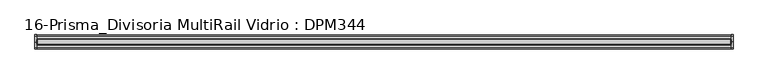
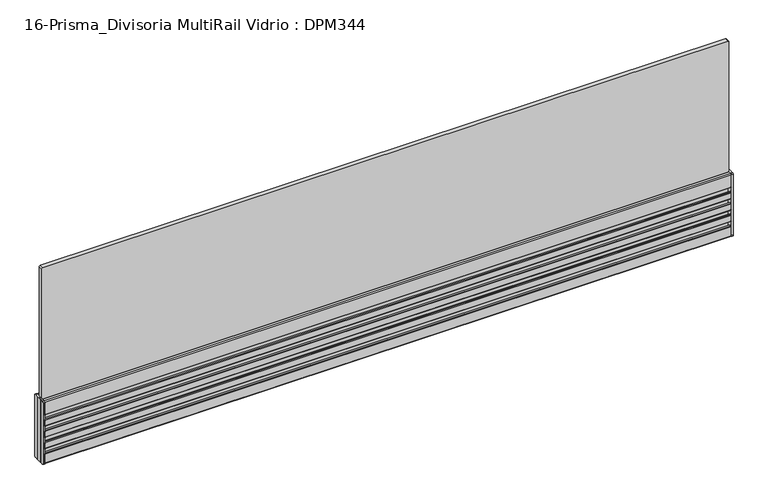
"""IFC4 building model written with IfcOpenShell, lengths in millimetres: furniture geometry, 16-Prisma_Divisoria MultiRail Vidrio : DPM344."""

import ifcopenshell
import ifcopenshell.guid

model = None  # the IFC model being written
_history = None  # IfcOwnerHistory: only IFC2X3 demands one
_inside = {}  # id of a spatial element -> (the spatial element, [elements in it])
_under = {}  # id of a project, library or spatial element -> (it, [spatial elements below it])
_declared = {}  # id of a project -> (the project, [libraries it declares])
_typed = {}  # id of a type object -> (the type object, [elements of that type])
_made_of = {}  # id of a material, layer set ... -> (it, [elements and type objects made of it])


def new_model(schema):
    """Start an empty IFC model of exactly this schema.

    Asked for "IFC4X3", IfcOpenShell would pick the latest addendum, in which some entities
    have other attributes; the version numbers below select the first issue.
    IFC2X3 requires an IfcOwnerHistory on every rooted entity: one is made here for all.
    """
    global model, _history
    if schema == "IFC4X3":
        model = ifcopenshell.file(schema_version=(4, 3, 0, 0))
    else:
        model = ifcopenshell.file(schema=schema)
    _inside.clear()
    _under.clear()
    _declared.clear()
    _typed.clear()
    _made_of.clear()
    _history = None
    if model.schema == "IFC2X3":
        org = make("IfcOrganization", Name="unknown")
        user = make(
            "IfcPersonAndOrganization",
            ThePerson=make("IfcPerson", FamilyName="unknown"),
            TheOrganization=org,
        )
        app = make(
            "IfcApplication",
            ApplicationDeveloper=org,
            Version="unknown",
            ApplicationFullName="unknown",
            ApplicationIdentifier="unknown",
        )
        _history = make(
            "IfcOwnerHistory",
            OwningUser=user,
            OwningApplication=app,
            ChangeAction="ADDED",
            CreationDate=0,
        )
    return model


def make(cls, **values):
    """One entity of the class cls with the attributes given. An attribute that is None is left unset."""
    return model.create_entity(
        cls, **{name: value for name, value in values.items() if value is not None}
    )


def rooted(cls, **values):
    """An entity with a GlobalId (a new one), such as an element, a storey or a relation."""
    return make(cls, GlobalId=ifcopenshell.guid.new(), OwnerHistory=_history, **values)


def si_unit(unit_type, name, prefix=None):
    """IfcSIUnit, for example si_unit("LENGTHUNIT", "METRE", prefix="MILLI")."""
    return make("IfcSIUnit", UnitType=unit_type, Prefix=prefix, Name=name)


def assignment(units):
    """IfcUnitAssignment: the units of a project."""
    return None if units is None else make("IfcUnitAssignment", Units=units)


def point(xyz):
    """IfcCartesianPoint."""
    return None if xyz is None else make("IfcCartesianPoint", Coordinates=xyz)


def direction(xyz):
    """IfcDirection."""
    return None if xyz is None else make("IfcDirection", DirectionRatios=xyz)


def frame(location, z_axis=None, x_axis=None):
    """IfcAxis2Placement3D, a coordinate frame: its origin and axes. An axis left out is left unset."""
    return make(
        "IfcAxis2Placement3D",
        Location=point(location),
        Axis=direction(z_axis),
        RefDirection=direction(x_axis),
    )


def frame_2d(location, x_axis=None):
    """IfcAxis2Placement2D, a coordinate frame in the plane: its origin and x axis."""
    return make(
        "IfcAxis2Placement2D", Location=point(location), RefDirection=direction(x_axis)
    )


def origin():
    """The frame at (0, 0, 0) with its axes left unset."""
    return frame((0.0, 0.0, 0.0))


def place(relative_to, where):
    """IfcLocalPlacement: puts the frame where relative to a parent placement (None: the world)."""
    return make(
        "IfcLocalPlacement", PlacementRelTo=relative_to, RelativePlacement=where
    )


def context(
    kind, dimensions, precision=None, world=None, true_north=None, identifier=None
):
    """IfcGeometricRepresentationContext, for example the 3D "Model" context."""
    return make(
        "IfcGeometricRepresentationContext",
        ContextIdentifier=identifier,
        ContextType=kind,
        CoordinateSpaceDimension=dimensions,
        Precision=precision,
        WorldCoordinateSystem=world,
        TrueNorth=true_north,
    )


def project(units=None, contexts=None):
    """IfcProject with its units and contexts."""
    return rooted(
        "IfcProject",
        Name="project",
        RepresentationContexts=contexts,
        UnitsInContext=assignment(units),
    )


def spatial(cls, under=None, at=None, **own):
    """A site, building, storey or space (cls), placed at a placement, below another one or the project."""
    s = rooted(cls, ObjectPlacement=at, **own)
    if under is not None:
        _under.setdefault(under.id(), (under, []))[1].append(s)
    return s


def polyline(points):
    """IfcPolyline through the points."""
    return make("IfcPolyline", Points=[point(p) for p in points])


def circle_curve(where, radius):
    """IfcCircle in the frame where."""
    return make("IfcCircle", Position=where, Radius=radius)


def trimmed(basis, trim1, trim2, sense, master):
    """IfcTrimmedCurve: the piece of a basis curve between two trims."""
    return make(
        "IfcTrimmedCurve",
        BasisCurve=basis,
        Trim1=trim1,
        Trim2=trim2,
        SenseAgreement=sense,
        MasterRepresentation=master,
    )


def segment(curve, same_sense, transition):
    """IfcCompositeCurveSegment."""
    return make(
        "IfcCompositeCurveSegment",
        Transition=transition,
        SameSense=same_sense,
        ParentCurve=curve,
    )


def composite_curve(segments, self_intersect=None):
    """IfcCompositeCurve: segments joined end to end."""
    return make("IfcCompositeCurve", Segments=segments, SelfIntersect=self_intersect)


def outline(outer, holes=None, kind="AREA"):
    """IfcArbitraryClosedProfileDef: a profile drawn as a closed curve; with holes, ...WithVoids."""
    if holes is None:
        return make("IfcArbitraryClosedProfileDef", ProfileType=kind, OuterCurve=outer)
    return make(
        "IfcArbitraryProfileDefWithVoids",
        ProfileType=kind,
        OuterCurve=outer,
        InnerCurves=holes,
    )


def extrude(swept, where, along, depth):
    """IfcExtrudedAreaSolid: the profile swept, set in the frame where, extruded along a direction by depth."""
    return make(
        "IfcExtrudedAreaSolid",
        SweptArea=swept,
        Position=where,
        ExtrudedDirection=direction(along),
        Depth=depth,
    )


def shape(context_of_items, identifier, shape_type, items):
    """IfcShapeRepresentation: the items that make up one representation, for example the "Body"."""
    return make(
        "IfcShapeRepresentation",
        ContextOfItems=context_of_items,
        RepresentationIdentifier=identifier,
        RepresentationType=shape_type,
        Items=items,
    )


def source(mapping_origin, context_of_items, identifier, shape_type, items):
    """IfcRepresentationMap: a shape defined once, which mapped items show again and again."""
    return make(
        "IfcRepresentationMap",
        MappingOrigin=mapping_origin,
        MappedRepresentation=shape(context_of_items, identifier, shape_type, items),
    )


def transform(
    local_origin,
    x_axis=None,
    y_axis=None,
    z_axis=None,
    scale=None,
    scale2=None,
    scale3=None,
    uniform=True,
):
    """IfcCartesianTransformationOperator3D, or its non-uniform kind. x_axis, y_axis, z_axis: its Axis1, 2, 3."""
    if uniform:
        return make(
            "IfcCartesianTransformationOperator3D",
            Axis1=direction(x_axis),
            Axis2=direction(y_axis),
            LocalOrigin=point(local_origin),
            Scale=scale,
            Axis3=direction(z_axis),
        )
    return make(
        "IfcCartesianTransformationOperator3DnonUniform",
        Axis1=direction(x_axis),
        Axis2=direction(y_axis),
        LocalOrigin=point(local_origin),
        Scale=scale,
        Axis3=direction(z_axis),
        Scale2=scale2,
        Scale3=scale3,
    )


def mapped(mapping_source, mapping_target):
    """IfcMappedItem: shows the shape of a source again, moved by a transform."""
    return make(
        "IfcMappedItem", MappingSource=mapping_source, MappingTarget=mapping_target
    )


def made_of(thing, what):
    """Note that an element or type object is made of a material, layer set ...; save() writes the relation."""
    if what is not None:
        _made_of.setdefault(what.id(), (what, []))[1].append(thing)
    return thing


def element(
    cls,
    number,
    at=None,
    inside=None,
    cuts=None,
    type_object=None,
    material=None,
    context=None,
    identifier="Body",
    shape_type=None,
    held_by="IfcProductDefinitionShape",
    body=None,
    shapes=None,
    **own,
):
    """One element of the class cls, such as IfcWall. Its Tag is "e" and its number.

    at: its placement. inside: the storey or other place that contains it. cuts: it is an
    opening in that element (IfcRelVoidsElement). A single representation is given by context,
    identifier, shape_type and body (its items); several are given by shapes. held_by: the class
    of the entity that holds the representations. save() writes the other relations.
    """
    e = rooted(cls, Tag="e%d" % number, ObjectPlacement=at, **own)
    if body is not None:
        shapes = [shape(context, identifier, shape_type, body)]
    if shapes is not None:
        e.Representation = make(held_by, Representations=shapes)
    if inside is not None:
        _inside.setdefault(inside.id(), (inside, []))[1].append(e)
    if cuts is not None:
        rooted(
            "IfcRelVoidsElement", RelatingBuildingElement=cuts, RelatedOpeningElement=e
        )
    if type_object is not None:
        _typed.setdefault(type_object.id(), (type_object, []))[1].append(e)
    return made_of(e, material)


def aggregate(whole, parts):
    """IfcRelAggregates: a whole, such as a stair, and the parts it consists of."""
    return rooted("IfcRelAggregates", RelatingObject=whole, RelatedObjects=parts)


def save(model, path):
    """Write the relations noted so far, then the file.

    IfcRelAggregates (storeys below a building ...), IfcRelContainedInSpatialStructure (elements
    in a storey), IfcRelDefinesByType, IfcRelAssociatesMaterial and IfcRelDeclares: one each for
    every whole, place, type object, material and project.
    """
    for whole, parts in _under.values():
        aggregate(whole, parts)
    for where, things in _inside.values():
        rooted(
            "IfcRelContainedInSpatialStructure",
            RelatedElements=things,
            RelatingStructure=where,
        )
    for kind, things in _typed.values():
        rooted("IfcRelDefinesByType", RelatedObjects=things, RelatingType=kind)
    for what, things in _made_of.values():
        rooted("IfcRelAssociatesMaterial", RelatedObjects=things, RelatingMaterial=what)
    for by, libraries in _declared.values():
        rooted("IfcRelDeclares", RelatingContext=by, RelatedDefinitions=libraries)
    model.write(path)


def plane_surface(at):
    """IfcPlane: the flat surface through the origin of the frame at, square to its z axis."""
    return make("IfcPlane", Position=at)


def cylinder_surface(at, radius):
    """IfcCylindricalSurface: all points at the distance radius from the z axis of the frame at."""
    return make("IfcCylindricalSurface", Position=at, Radius=radius)


def revolved_surface(curve, axis_point, axis_direction):
    """IfcSurfaceOfRevolution: the curve turned about the line through axis_point along axis_direction."""
    return make(
        "IfcSurfaceOfRevolution",
        SweptCurve=make("IfcArbitraryOpenProfileDef", ProfileType="CURVE", Curve=curve),
        AxisPosition=make("IfcAxis1Placement", Location=point(axis_point), Axis=direction(axis_direction)),
    )


def advanced_brep(points, edges, surfaces, faces):
    """IfcAdvancedBrep: a solid bounded by faces that lie on surfaces and meet in shared edges.

    An edge is (start, end): straight between two places in points (the first is 0);
    or (start, end, curve); or (start, end, curve, False) where it runs against its curve.
    A face is (place in surfaces, loops), or (place, loops, False) where it looks against
    its surface's normal. A loop lists edges by number (the first is 1), with a minus sign
    where the edge is run from its end to its start. The first loop is the outer one.
    """
    corners = [point(p) for p in points]
    vertices = [make("IfcVertexPoint", VertexGeometry=c) for c in corners]
    made = []
    for start, end, *more in edges:
        made.append(
            make(
                "IfcEdgeCurve",
                EdgeStart=vertices[start],
                EdgeEnd=vertices[end],
                EdgeGeometry=more[0] if more else make("IfcPolyline", Points=[corners[start], corners[end]]),
                SameSense=more[1] if len(more) > 1 else True,
            )
        )
    hull = []
    for where, loops, *sense in faces:
        bounds = []
        for j, loop in enumerate(loops):
            ring = [make("IfcOrientedEdge", EdgeElement=made[abs(k) - 1], Orientation=k > 0) for k in loop]
            bounds.append(
                make(
                    "IfcFaceOuterBound" if j == 0 else "IfcFaceBound",
                    Bound=make("IfcEdgeLoop", EdgeList=ring),
                    Orientation=True,
                )
            )
        hull.append(make("IfcAdvancedFace", Bounds=bounds, FaceSurface=surfaces[where], SameSense=sense[0] if sense else True))
    return make("IfcAdvancedBrep", Outer=make("IfcClosedShell", CfsFaces=hull))


def furniture_16_prisma_divisoria_multirail_vidrio_dpm344_bf19c1c7(model_context):
    return source(origin(), model_context, "Body", "SolidModel", [
        advanced_brep(
        [(-647.5, -11.25, 125.5), (-647.5, -13.25, 123.5), (-647.5, -13.25, 2.0), (-647.5, -11.25, 0.0), (-647.5, 0.0, 0.0), (-647.5, 11.25, 0.0), (-647.5, 13.25, 2.0), (-647.5, 13.25, 123.5), (-647.5, 11.25, 125.5), (-647.5, 0.0, 125.5), (-650.5, 11.25, 125.5), (-650.5, 13.25, 123.5), (-650.5, 13.25, 2.0), (-650.5, 11.25, 0.0), (-650.5, 5.25, 0.0), (-650.5, 5.25, 125.5), (-650.5, -11.25, 0.0), (-650.5, -13.25, 2.0), (-650.5, -13.25, 123.5), (-650.5, -11.25, 125.5), (-650.5, -5.25, 125.5), (-650.5, -5.25, 0.0), (-650.5, -3.75, 125.5), (-650.5, 0.0, 125.5), (-650.5, 3.75, 125.5), (-650.5, 3.75, 0.0), (-650.5, 0.0, 0.0), (-650.5, -3.75, 0.0)],
        [
            (0, 1, circle_curve(frame((-647.5, -11.25, 123.5), z_axis=(1.0, 0.0, 0.0), x_axis=(0.0, 1.0, 0.0)), 2.0)),
            (1, 2),
            (2, 3, circle_curve(frame((-647.5, -11.25, 2.0), z_axis=(1.0, 0.0, 0.0), x_axis=(0.0, 1.0, 0.0)), 2.0)),
            (3, 4),
            (4, 5),
            (5, 6, circle_curve(frame((-647.5, 11.25, 2.0), z_axis=(1.0, 0.0, 0.0), x_axis=(0.0, -1.0, 0.0)), 2.0)),
            (6, 7),
            (7, 8, circle_curve(frame((-647.5, 11.25, 123.5), z_axis=(1.0, 0.0, 0.0), x_axis=(0.0, -1.0, 0.0)), 2.0)),
            (8, 9),
            (9, 0),
            (10, 11, circle_curve(frame((-650.5, 11.25, 123.5), z_axis=(-1.0, 0.0, 0.0), x_axis=(0.0, -1.0, 0.0)), 2.0)),
            (11, 12),
            (12, 13, circle_curve(frame((-650.5, 11.25, 2.0), z_axis=(-1.0, 0.0, 0.0), x_axis=(0.0, -1.0, 0.0)), 2.0)),
            (13, 14),
            (14, 15),
            (15, 10),
            (16, 17, circle_curve(frame((-650.5, -11.25, 2.0), z_axis=(-1.0, 0.0, 0.0), x_axis=(0.0, 1.0, 0.0)), 2.0)),
            (17, 18),
            (18, 19, circle_curve(frame((-650.5, -11.25, 123.5), z_axis=(-1.0, 0.0, 0.0), x_axis=(0.0, 1.0, 0.0)), 2.0)),
            (19, 20),
            (20, 21),
            (21, 16),
            (22, 23),
            (23, 24),
            (24, 25),
            (25, 26),
            (26, 27),
            (27, 22),
            (0, 19),
            (18, 1),
            (17, 2),
            (16, 3),
            (21, 27, circle_curve(frame((-651.1614378, -4.5, 0.0), z_axis=(0.0, 0.0, 1.0), x_axis=(0.0, 1.0, 0.0)), 1.0)),
            (26, 4),
            (25, 14, circle_curve(frame((-651.1614378, 4.5, 0.0), z_axis=(0.0, 0.0, 1.0), x_axis=(0.0, 1.0, 0.0)), 1.0)),
            (13, 5),
            (12, 6),
            (11, 7),
            (10, 8),
            (15, 24, circle_curve(frame((-651.1614378, 4.5, 125.5), z_axis=(0.0, 0.0, -1.0), x_axis=(0.0, 1.0, 0.0)), 1.0)),
            (23, 9),
            (22, 20, circle_curve(frame((-651.1614378, -4.5, 125.5), z_axis=(0.0, 0.0, -1.0), x_axis=(0.0, 1.0, 0.0)), 1.0)),
        ],
        [
            plane_surface(frame((-647.5, -9.25, 123.5), z_axis=(1.0, 0.0, 0.0), x_axis=(0.0, 0.0, 1.0))),
            plane_surface(frame((-650.5, -9.25, 123.5), z_axis=(-1.0, 0.0, 0.0), x_axis=(0.0, 0.0, -1.0))),
            cylinder_surface(frame((-650.5, -11.25, 123.5), z_axis=(1.0, 0.0, 0.0), x_axis=(0.0, 1.0, 0.0)), 2.0),
            plane_surface(frame((-647.5, -13.25, 123.5), z_axis=(0.0, -1.0, 0.0), x_axis=(-1.0, 0.0, 0.0))),
            cylinder_surface(frame((-650.5, -11.25, 2.0), z_axis=(1.0, 0.0, 0.0), x_axis=(0.0, 1.0, 0.0)), 2.0),
            plane_surface(frame((-647.5, -11.25, 0.0), z_axis=(0.0, 0.0, -1.0), x_axis=(-1.0, 0.0, 0.0))),
            plane_surface(frame((-647.5, 0.0, 0.0), z_axis=(0.0, 0.0, -1.0), x_axis=(-1.0, 0.0, 0.0))),
            cylinder_surface(frame((-650.5, 11.25, 2.0), z_axis=(1.0, 0.0, 0.0), x_axis=(0.0, -1.0, 0.0)), 2.0),
            plane_surface(frame((-647.5, 13.25, 2.0), z_axis=(0.0, 1.0, -6.587285038427298e-12), x_axis=(-1.0, 0.0, 0.0))),
            cylinder_surface(frame((-650.5, 11.25, 123.5), z_axis=(1.0, 0.0, 0.0), x_axis=(0.0, -1.0, 0.0)), 2.0),
            plane_surface(frame((-647.5, 11.25, 125.5), z_axis=(0.0, 0.0, 1.0), x_axis=(-1.0, 0.0, 0.0))),
            plane_surface(frame((-647.5, 0.0, 125.5), z_axis=(0.0, 0.0, 1.0), x_axis=(-1.0, 0.0, 0.0))),
            revolved_surface(polyline([(-651.1614378, 5.5, 125.5), (-651.1614378, 5.5, 0.0)]), (-651.1614378, 4.5, -26.25), (0.0, 0.0, 1.0)),
            revolved_surface(polyline([(-651.1614378, -3.5, 125.5), (-651.1614378, -3.5, 0.0)]), (-651.1614378, -4.5, 73.75), (0.0, 0.0, 1.0)),
        ],
        [
            (0, [[1, 2, 3, 4, 5, 6, 7, 8, 9, 10]]),
            (1, [[11, 12, 13, 14, 15, 16]]),
            (1, [[17, 18, 19, 20, 21, 22]]),
            (1, [[23, 24, 25, 26, 27, 28]]),
            (2, [[-1, 29, -19, 30]]),
            (3, [[-2, -30, -18, 31]]),
            (4, [[-3, -31, -17, 32]]),
            (5, [[-4, -32, -22, 33, -27, 34]]),
            (6, [[-5, -34, -26, 35, -14, 36]]),
            (7, [[-6, -36, -13, 37]]),
            (8, [[-7, -37, -12, 38]]),
            (9, [[-8, -38, -11, 39]]),
            (10, [[-9, -39, -16, 40, -24, 41]]),
            (11, [[-10, -41, -23, 42, -20, -29]]),
            (12, [[-15, -35, -25, -40]]),
            (13, [[-28, -33, -21, -42]]),
        ],
    ),
        advanced_brep(
        [(647.5, 11.25, 125.5), (647.5, 13.25, 123.5), (647.5, 13.25, 2.0), (647.5, 11.25, 0.0), (647.5, 0.0, 0.0), (647.5, -11.25, 0.0), (647.5, -13.25, 2.0), (647.5, -13.25, 123.5), (647.5, -11.25, 125.5), (647.5, 0.0, 125.5), (650.5, -11.25, 125.5), (650.5, -13.25, 123.5), (650.5, -13.25, 2.0), (650.5, -11.25, 0.0), (650.5, -5.25, 0.0), (650.5, -5.25, 125.5), (650.5, 11.25, 0.0), (650.5, 13.25, 2.0), (650.5, 13.25, 123.5), (650.5, 11.25, 125.5), (650.5, 5.25, 125.5), (650.5, 5.25, 0.0), (650.5, 3.75, 125.5), (650.5, 0.0, 125.5), (650.5, -3.75, 125.5), (650.5, -3.75, 0.0), (650.5, 0.0, 0.0), (650.5, 3.75, 0.0)],
        [
            (0, 1, circle_curve(frame((647.5, 11.25, 123.5), z_axis=(-1.0, 0.0, 0.0), x_axis=(0.0, -1.0000000000000004, 0.0)), 2.0)),
            (1, 2),
            (2, 3, circle_curve(frame((647.5, 11.25, 2.0), z_axis=(-1.0, 0.0, 0.0), x_axis=(0.0, -1.0000000000000004, 0.0)), 2.0)),
            (3, 4),
            (4, 5),
            (5, 6, circle_curve(frame((647.5, -11.25, 2.0), z_axis=(-1.0, 0.0, 0.0), x_axis=(0.0, 1.0000000000000004, 0.0)), 2.0)),
            (6, 7),
            (7, 8, circle_curve(frame((647.5, -11.25, 123.5), z_axis=(-1.0, 0.0, 0.0), x_axis=(0.0, 1.0000000000000004, 0.0)), 2.0)),
            (8, 9),
            (9, 0),
            (10, 11, circle_curve(frame((650.5, -11.25, 123.5), z_axis=(1.0, 0.0, 0.0), x_axis=(0.0, 1.0000000000000004, 0.0)), 2.0)),
            (11, 12),
            (12, 13, circle_curve(frame((650.5, -11.25, 2.0), z_axis=(1.0, 0.0, 0.0), x_axis=(0.0, 1.0000000000000004, 0.0)), 2.0)),
            (13, 14),
            (14, 15),
            (15, 10),
            (16, 17, circle_curve(frame((650.5, 11.25, 2.0), z_axis=(1.0, 0.0, 0.0), x_axis=(0.0, -1.0000000000000004, 0.0)), 2.0)),
            (17, 18),
            (18, 19, circle_curve(frame((650.5, 11.25, 123.5), z_axis=(1.0, 0.0, 0.0), x_axis=(0.0, -1.0000000000000004, 0.0)), 2.0)),
            (19, 20),
            (20, 21),
            (21, 16),
            (22, 23),
            (23, 24),
            (24, 25),
            (25, 26),
            (26, 27),
            (27, 22),
            (0, 19),
            (18, 1),
            (17, 2),
            (16, 3),
            (21, 27, circle_curve(frame((651.1614378, 4.5, 0.0), z_axis=(0.0, 0.0, 1.0), x_axis=(0.0, -1.0000000000000004, 0.0)), 1.0)),
            (26, 4),
            (25, 14, circle_curve(frame((651.1614378, -4.5, 0.0), z_axis=(0.0, 0.0, 1.0), x_axis=(0.0, -1.0000000000000004, 0.0)), 1.0)),
            (13, 5),
            (12, 6),
            (11, 7),
            (10, 8),
            (15, 24, circle_curve(frame((651.1614378, -4.5, 125.5), z_axis=(0.0, 0.0, -1.0), x_axis=(0.0, -1.0000000000000004, 0.0)), 1.0)),
            (23, 9),
            (22, 20, circle_curve(frame((651.1614378, 4.5, 125.5), z_axis=(0.0, 0.0, -1.0), x_axis=(0.0, -1.0000000000000004, 0.0)), 1.0)),
        ],
        [
            plane_surface(frame((647.5, 9.25, 123.5), z_axis=(-1.0, 0.0, 0.0), x_axis=(0.0, 0.0, 1.0))),
            plane_surface(frame((650.5, 9.25, 123.5), z_axis=(1.0, 0.0, 0.0), x_axis=(0.0, 0.0, -1.0))),
            cylinder_surface(frame((650.5, 11.25, 123.5), z_axis=(-1.0000000000000004, 0.0, 0.0), x_axis=(0.0, -1.0000000000000004, 0.0)), 2.0),
            plane_surface(frame((647.5, 13.25, 123.5), z_axis=(0.0, 1.0, 0.0), x_axis=(1.0, 0.0, 0.0))),
            cylinder_surface(frame((650.5, 11.25, 2.0), z_axis=(-1.0000000000000004, 0.0, 0.0), x_axis=(0.0, -1.0000000000000004, 0.0)), 2.0),
            plane_surface(frame((647.5, 11.25, 0.0), z_axis=(0.0, 0.0, -1.0), x_axis=(1.0, 0.0, 0.0))),
            plane_surface(frame((647.5, 0.0, 0.0), z_axis=(0.0, 0.0, -1.0), x_axis=(1.0, 0.0, 0.0))),
            cylinder_surface(frame((650.5, -11.25, 2.0), z_axis=(-1.0000000000000004, 0.0, 0.0), x_axis=(0.0, 1.0000000000000004, 0.0)), 2.0),
            plane_surface(frame((647.5, -13.25, 2.0), z_axis=(0.0, -1.0, -6.587285038427301e-12), x_axis=(1.0, 0.0, 0.0))),
            cylinder_surface(frame((650.5, -11.25, 123.5), z_axis=(-1.0000000000000004, 0.0, 0.0), x_axis=(0.0, 1.0000000000000004, 0.0)), 2.0),
            plane_surface(frame((647.5, -11.25, 125.5), z_axis=(0.0, 0.0, 1.0), x_axis=(1.0, 0.0, 0.0))),
            plane_surface(frame((647.5, 0.0, 125.5), z_axis=(0.0, 0.0, 1.0), x_axis=(1.0, 0.0, 0.0))),
            revolved_surface(polyline([(651.1614378, -5.5, 125.5), (651.1614378, -5.5, 0.0)]), (651.1614378, -4.5, -26.25), (0.0, 0.0, 1.0)),
            revolved_surface(polyline([(651.1614378, 3.4999999999999996, 125.5), (651.1614378, 3.4999999999999996, 0.0)]), (651.1614378, 4.5, 73.75), (0.0, 0.0, 1.0)),
        ],
        [
            (0, [[1, 2, 3, 4, 5, 6, 7, 8, 9, 10]]),
            (1, [[11, 12, 13, 14, 15, 16]]),
            (1, [[17, 18, 19, 20, 21, 22]]),
            (1, [[23, 24, 25, 26, 27, 28]]),
            (2, [[-1, 29, -19, 30]]),
            (3, [[-2, -30, -18, 31]]),
            (4, [[-3, -31, -17, 32]]),
            (5, [[-4, -32, -22, 33, -27, 34]]),
            (6, [[-5, -34, -26, 35, -14, 36]]),
            (7, [[-6, -36, -13, 37]]),
            (8, [[-7, -37, -12, 38]]),
            (9, [[-8, -38, -11, 39]]),
            (10, [[-9, -39, -16, 40, -24, 41]]),
            (11, [[-10, -41, -23, 42, -20, -29]]),
            (12, [[-15, -35, -25, -40]]),
            (13, [[-28, -33, -21, -42]]),
        ],
    ),
        extrude(outline(composite_curve([segment(trimmed(circle_curve(frame_2d((-12.0, 20.25)), 1.0), [point((-13.0, 20.25))], [point((-12.0, 21.25))], False, "CARTESIAN"), True, "CONTINUOUS"), segment(polyline([(-12.0, 21.25), (-9.2004126, 21.25), (-9.2004126, 15.25), (-1.7500068, 15.25), (-1.7500068, 36.25), (-9.2004126, 36.25), (-9.2004126, 30.25), (-12.0, 30.25)]), True, "CONTINUOUS"), segment(trimmed(circle_curve(frame_2d((-12.0, 31.25)), 1.0), [point((-12.0, 30.25))], [point((-13.0, 31.25))], False, "CARTESIAN"), True, "CONTINUOUS"), segment(polyline([(-13.0, 31.25), (-13.0, 42.75)]), True, "CONTINUOUS"), segment(trimmed(circle_curve(frame_2d((-12.0, 42.75)), 1.0), [point((-13.0, 42.75))], [point((-12.0, 43.75))], False, "CARTESIAN"), True, "CONTINUOUS"), segment(polyline([(-12.0, 43.75), (-9.2004126, 43.75), (-9.2004126, 37.75), (-1.7500068, 37.75), (-1.7500068, 58.75), (-9.2004126, 58.75), (-9.2004126, 52.75), (-12.0, 52.75)]), True, "CONTINUOUS"), segment(trimmed(circle_curve(frame_2d((-12.0, 53.75)), 1.0), [point((-12.0, 52.75))], [point((-13.0, 53.75))], False, "CARTESIAN"), True, "CONTINUOUS"), segment(polyline([(-13.0, 53.75), (-13.0, 65.25)]), True, "CONTINUOUS"), segment(trimmed(circle_curve(frame_2d((-12.0, 65.25)), 1.0), [point((-13.0, 65.25))], [point((-12.0, 66.25))], False, "CARTESIAN"), True, "CONTINUOUS"), segment(polyline([(-12.0, 66.25), (-9.2004126, 66.25), (-9.2004126, 60.25), (-1.7500068, 60.25), (-1.7500068, 81.25), (-9.2004126, 81.25), (-9.2004126, 75.25), (-12.0, 75.25)]), True, "CONTINUOUS"), segment(trimmed(circle_curve(frame_2d((-12.0, 76.25)), 1.0), [point((-12.0, 75.25))], [point((-13.0, 76.25))], False, "CARTESIAN"), True, "CONTINUOUS"), segment(polyline([(-13.0, 76.25), (-13.0, 87.75)]), True, "CONTINUOUS"), segment(trimmed(circle_curve(frame_2d((-12.0, 87.75)), 1.0), [point((-13.0, 87.75))], [point((-12.0, 88.75))], False, "CARTESIAN"), True, "CONTINUOUS"), segment(polyline([(-12.0, 88.75), (-9.2004126, 88.75), (-9.2004126, 82.75), (-1.7500068, 82.75), (-1.7500068, 103.75), (-9.2004126, 103.75), (-9.2004126, 97.75), (-12.0, 97.75)]), True, "CONTINUOUS"), segment(trimmed(circle_curve(frame_2d((-12.0, 98.75)), 1.0), [point((-12.0, 97.75))], [point((-13.0, 98.75))], False, "CARTESIAN"), True, "CONTINUOUS"), segment(polyline([(-13.0, 98.75), (-13.0, 123.25)]), True, "CONTINUOUS"), segment(trimmed(circle_curve(frame_2d((-11.0, 123.25)), 2.0), [point((-13.0, 123.25))], [point((-11.0, 125.25))], False, "CARTESIAN"), True, "CONTINUOUS"), segment(polyline([(-11.0, 125.25), (-6.0, 125.25)]), True, "CONTINUOUS"), segment(trimmed(circle_curve(frame_2d((-6.0, 124.75)), 0.5), [point((-6.0, 125.25))], [point((-5.5, 124.75))], False, "CARTESIAN"), True, "CONTINUOUS"), segment(polyline([(-5.5, 124.75), (-5.5, 105.25), (0.0, 105.25), (5.5, 105.25), (5.5, 124.75)]), True, "CONTINUOUS"), segment(trimmed(circle_curve(frame_2d((6.0, 124.75)), 0.5), [point((5.5, 124.75))], [point((6.0, 125.25))], False, "CARTESIAN"), True, "CONTINUOUS"), segment(polyline([(6.0, 125.25), (11.0, 125.25)]), True, "CONTINUOUS"), segment(trimmed(circle_curve(frame_2d((11.0, 123.25)), 2.0), [point((11.0, 125.25))], [point((13.0, 123.25))], False, "CARTESIAN"), True, "CONTINUOUS"), segment(polyline([(13.0, 123.25), (13.0, 98.75)]), True, "CONTINUOUS"), segment(trimmed(circle_curve(frame_2d((12.0, 98.75)), 1.0), [point((13.0, 98.75))], [point((12.0, 97.75))], False, "CARTESIAN"), True, "CONTINUOUS"), segment(polyline([(12.0, 97.75), (9.2004126, 97.75), (9.2004126, 103.75), (1.7500068, 103.75), (1.7500068, 82.75), (9.2004126, 82.75), (9.2004126, 88.75), (12.0, 88.75)]), True, "CONTINUOUS"), segment(trimmed(circle_curve(frame_2d((12.0, 87.75)), 1.0), [point((12.0, 88.75))], [point((13.0, 87.75))], False, "CARTESIAN"), True, "CONTINUOUS"), segment(polyline([(13.0, 87.75), (13.0, 76.25)]), True, "CONTINUOUS"), segment(trimmed(circle_curve(frame_2d((12.0, 76.25)), 1.0), [point((13.0, 76.25))], [point((12.0, 75.25))], False, "CARTESIAN"), True, "CONTINUOUS"), segment(polyline([(12.0, 75.25), (9.2004126, 75.25), (9.2004126, 81.25), (1.7500068, 81.25), (1.7500068, 60.25), (9.2004126, 60.25), (9.2004126, 66.25), (12.0, 66.25)]), True, "CONTINUOUS"), segment(trimmed(circle_curve(frame_2d((12.0, 65.25)), 1.0), [point((12.0, 66.25))], [point((13.0, 65.25))], False, "CARTESIAN"), True, "CONTINUOUS"), segment(polyline([(13.0, 65.25), (13.0, 53.75)]), True, "CONTINUOUS"), segment(trimmed(circle_curve(frame_2d((12.0, 53.75)), 1.0), [point((13.0, 53.75))], [point((12.0, 52.75))], False, "CARTESIAN"), True, "CONTINUOUS"), segment(polyline([(12.0, 52.75), (9.2004126, 52.75), (9.2004126, 58.75), (1.7500068, 58.75), (1.7500068, 37.75), (9.2004126, 37.75), (9.2004126, 43.75), (12.0, 43.75)]), True, "CONTINUOUS"), segment(trimmed(circle_curve(frame_2d((12.0, 42.75)), 1.0), [point((12.0, 43.75))], [point((13.0, 42.75))], False, "CARTESIAN"), True, "CONTINUOUS"), segment(polyline([(13.0, 42.75), (13.0, 31.25)]), True, "CONTINUOUS"), segment(trimmed(circle_curve(frame_2d((12.0, 31.25)), 1.0), [point((13.0, 31.25))], [point((12.0, 30.25))], False, "CARTESIAN"), True, "CONTINUOUS"), segment(polyline([(12.0, 30.25), (9.2004126, 30.25), (9.2004126, 36.25), (1.7500068, 36.25), (1.7500068, 15.25), (9.2004126, 15.25), (9.2004126, 21.25), (12.0, 21.25)]), True, "CONTINUOUS"), segment(trimmed(circle_curve(frame_2d((12.0, 20.25)), 1.0), [point((12.0, 21.25))], [point((13.0, 20.25))], False, "CARTESIAN"), True, "CONTINUOUS"), segment(polyline([(13.0, 20.25), (13.0, 2.25)]), True, "CONTINUOUS"), segment(trimmed(circle_curve(frame_2d((11.0, 2.25)), 2.0), [point((13.0, 2.25))], [point((11.0, 0.25))], False, "CARTESIAN"), True, "CONTINUOUS"), segment(polyline([(11.0, 0.25), (0.0, 0.25), (-11.0, 0.25)]), True, "CONTINUOUS"), segment(trimmed(circle_curve(frame_2d((-11.0, 2.25)), 2.0), [point((-11.0, 0.25))], [point((-13.0, 2.25))], False, "CARTESIAN"), True, "CONTINUOUS"), segment(polyline([(-13.0, 2.25), (-13.0, 20.25)]), True, "CONTINUOUS")], self_intersect=False)), frame((-647.5, 0.0, 0.0), z_axis=(1.0, 0.0, 0.0), x_axis=(0.0, 1.0, 0.0)), (0.0, 0.0, 1.0), 1295.0),
        extrude(outline(composite_curve([segment(polyline([(385.25, 645.5), (385.25, -645.5)]), True, "CONTINUOUS"), segment(trimmed(circle_curve(frame_2d((383.25, -645.5)), 2.0), [point((385.25, -645.5))], [point((383.25, -647.5))], False, "CARTESIAN"), True, "CONTINUOUS"), segment(polyline([(383.25, -647.5), (107.25, -647.5)]), True, "CONTINUOUS"), segment(trimmed(circle_curve(frame_2d((107.25, -645.5)), 2.0), [point((107.25, -647.5))], [point((105.25, -645.5))], False, "CARTESIAN"), True, "CONTINUOUS"), segment(polyline([(105.25, -645.5), (105.25, 645.5)]), True, "CONTINUOUS"), segment(trimmed(circle_curve(frame_2d((107.25, 645.5)), 2.0), [point((105.25, 645.5))], [point((107.25, 647.5))], False, "CARTESIAN"), True, "CONTINUOUS"), segment(polyline([(107.25, 647.5), (383.25, 647.5)]), True, "CONTINUOUS"), segment(trimmed(circle_curve(frame_2d((383.25, 645.5)), 2.0), [point((383.25, 647.5))], [point((385.25, 645.5))], False, "CARTESIAN"), True, "CONTINUOUS")], self_intersect=False)), frame((0.0, -4.0, 0.0), z_axis=(0.0, 1.0, 0.0), x_axis=(0.0, 0.0, 1.0)), (0.0, 0.0, 1.0), 8.0),
    ])


if __name__ == "__main__":
    model = new_model("IFC4")
    model_context = context("Model", 3, world=origin())
    ifc_project = project(units=[si_unit("LENGTHUNIT", "METRE", prefix="MILLI")], contexts=[model_context])
    site = spatial("IfcSite", under=ifc_project)
    building = spatial("IfcBuilding", under=site)
    placement = place(None, origin())
    furniture_16_prisma_divisoria_multirail_vidrio_dpm344_shape = furniture_16_prisma_divisoria_multirail_vidrio_dpm344_bf19c1c7(model_context)
    element("IfcFurniture", 1, ObjectType="16-Prisma_Divisoria MultiRail Vidrio : DPM344", at=placement, inside=building, context=model_context, shape_type="MappedRepresentation", body=[
        mapped(furniture_16_prisma_divisoria_multirail_vidrio_dpm344_shape, transform((0.0, 0.0, 0.0), x_axis=(1.0, 0.0, 0.0), y_axis=(0.0, 1.0, 0.0), z_axis=(0.0, 0.0, 1.0))),
    ])
    save(model, "model.ifc")
